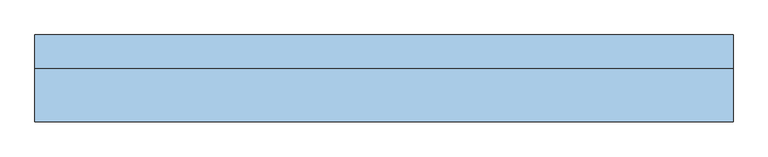
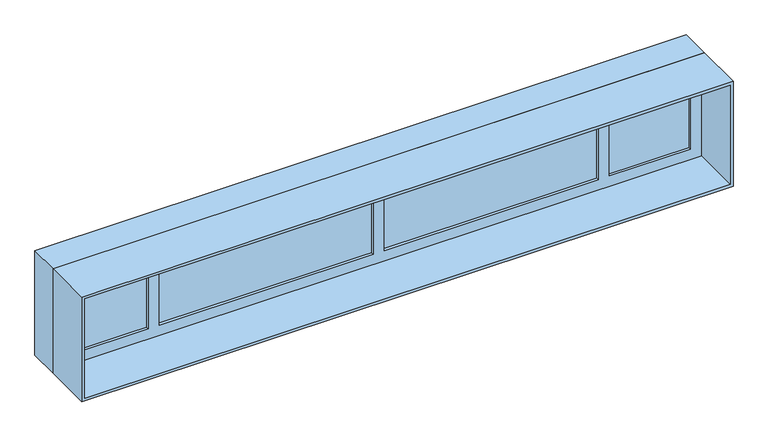
"""IFC4 building model written with IfcOpenShell, lengths in millimetres: window geometry."""

from ifc_helpers import new_model, si_unit, frame, origin, place, context, project, spatial, polyline, outline, extrude, source, transform, mapped, element, save


def window_cb70503a(model_context):
    return source(origin(), model_context, "Body", "SweptSolid", [
        extrude(outline(polyline([(1400.0, 1765.0), (1400.0, -1765.0), (800.0, -1765.0), (800.0, 1765.0), (1400.0, 1765.0)]), holes=[polyline([(815.0, 1750.0), (815.0, -1750.0), (1385.0, -1750.0), (1385.0, 1750.0), (815.0, 1750.0)])]), frame((0.0, -145.0, 0.0), z_axis=(0.0, 1.0, 0.0), x_axis=(0.0, 0.0, 1.0)), (0.0, 0.0, 1.0), 270.0),
        extrude(outline(polyline([(1400.0, -1765.0), (800.0, -1765.0), (800.0, 1765.0), (1400.0, 1765.0), (1400.0, -1765.0)]), holes=[polyline([(815.0, 1750.0), (815.0, -1750.0), (1385.0, -1750.0), (1385.0, 1750.0), (815.0, 1750.0)])]), frame((0.0, 125.0, 0.0), z_axis=(0.0, 1.0, 0.0), x_axis=(0.0, 0.0, 1.0)), (0.0, 0.0, 1.0), 170.0),
        extrude(outline(polyline([(1690.0, 140.0), (1250.0, 140.0), (1250.0, 170.0), (1690.0, 170.0), (1690.0, 140.0)])), frame((0.0, 0.0, 875.0), z_axis=(0.0, 0.0, 1.0), x_axis=(1.0, 0.0, 0.0)), (0.0, 0.0, 1.0), 450.0),
        extrude(outline(polyline([(-1250.0, 140.0), (-1690.0, 140.0), (-1690.0, 170.0), (-1250.0, 170.0), (-1250.0, 140.0)])), frame((0.0, 0.0, 875.0), z_axis=(0.0, 0.0, 1.0), x_axis=(1.0, 0.0, 0.0)), (0.0, 0.0, 1.0), 450.0),
        extrude(outline(polyline([(1190.0, 140.0), (30.0, 140.0), (30.0, 170.0), (1190.0, 170.0), (1190.0, 140.0)])), frame((0.0, 0.0, 875.0), z_axis=(0.0, 0.0, 1.0), x_axis=(1.0, 0.0, 0.0)), (0.0, 0.0, 1.0), 450.0),
        extrude(outline(polyline([(-30.0, 140.0), (-1190.0, 140.0), (-1190.0, 170.0), (-30.0, 170.0), (-30.0, 140.0)])), frame((0.0, 0.0, 875.0), z_axis=(0.0, 0.0, 1.0), x_axis=(1.0, 0.0, 0.0)), (0.0, 0.0, 1.0), 450.0),
        extrude(outline(polyline([(1400.0, -1750.0), (800.0, -1750.0), (800.0, 1750.0), (1400.0, 1750.0), (1400.0, -1750.0)]), holes=[polyline([(875.0, -30.0), (875.0, -1190.0), (1325.0, -1190.0), (1325.0, -30.0), (875.0, -30.0)]), polyline([(1325.0, 1250.0), (1325.0, 1690.0), (875.0, 1690.0), (875.0, 1250.0), (1325.0, 1250.0)]), polyline([(1325.0, 30.0), (1325.0, 1190.0), (875.0, 1190.0), (875.0, 30.0), (1325.0, 30.0)]), polyline([(1325.0, -1690.0), (1325.0, -1250.0), (875.0, -1250.0), (875.0, -1690.0), (1325.0, -1690.0)])]), frame((0.0, 125.0, 0.0), z_axis=(0.0, 1.0, 0.0), x_axis=(0.0, 0.0, 1.0)), (0.0, 0.0, 1.0), 60.0),
    ])


if __name__ == "__main__":
    model = new_model("IFC4")
    model_context = context("Model", 3, world=origin())
    ifc_project = project(units=[si_unit("LENGTHUNIT", "METRE", prefix="MILLI")], contexts=[model_context])
    site = spatial("IfcSite", under=ifc_project)
    building = spatial("IfcBuilding", under=site)
    placement = place(None, origin())
    window_shape = window_cb70503a(model_context)
    element("IfcWindow", 1, at=placement, inside=building, context=model_context, shape_type="MappedRepresentation", body=[
        mapped(window_shape, transform((0.0, 0.0, 0.0), x_axis=(1.0, 0.0, 0.0), y_axis=(0.0, 1.0, 0.0), z_axis=(0.0, 0.0, 1.0))),
    ])
    save(model, "model.ifc")
